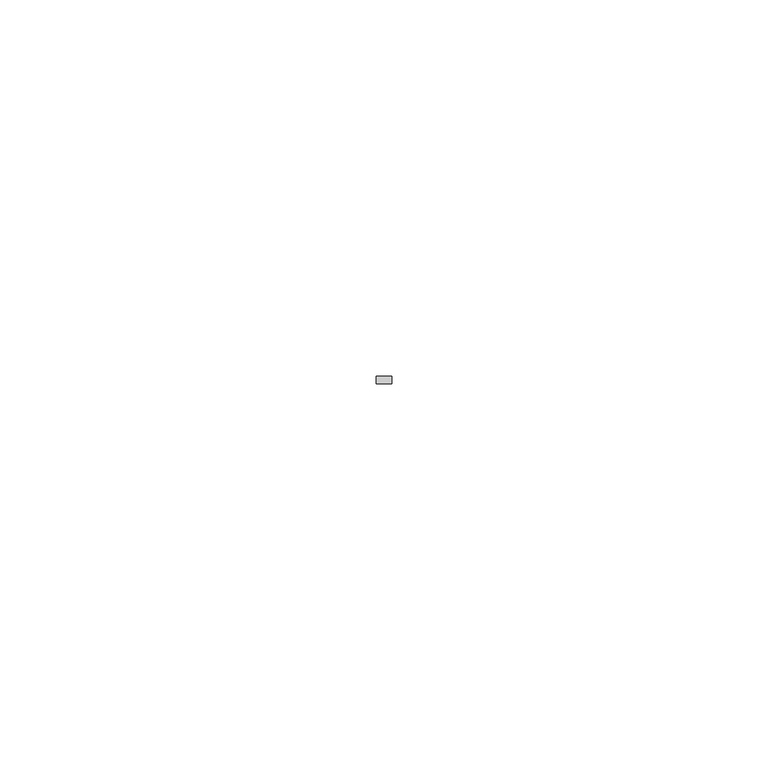
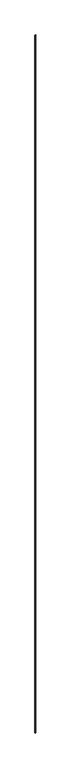
"""IFC4 building model written with IfcOpenShell, lengths in millimetres: member geometry."""

from ifc_helpers import new_model, si_unit, frame, origin, place, context, project, spatial, polyline, outline, extrude, source, transform, mapped, element, save


def member_4752c77e(model_context):
    return source(origin(), model_context, "Body", "SweptSolid", [
        extrude(outline(polyline([(1.0, 7.0), (1.0, 6.0), (-1.0, 6.0), (-1.0, 7.0), (1.0, 7.0)])), frame((0.0, 0.0, -2458.0), z_axis=(0.0, 0.0, 1.0), x_axis=(1.0, 0.0, 0.0)), (0.0, 0.0, 1.0), 2458.0),
    ])


if __name__ == "__main__":
    model = new_model("IFC4")
    model_context = context("Model", 3, world=origin())
    ifc_project = project(units=[si_unit("LENGTHUNIT", "METRE", prefix="MILLI")], contexts=[model_context])
    site = spatial("IfcSite", under=ifc_project)
    building = spatial("IfcBuilding", under=site)
    placement = place(None, origin())
    member_shape = member_4752c77e(model_context)
    element("IfcMember", 1, at=placement, inside=building, context=model_context, shape_type="MappedRepresentation", body=[
        mapped(member_shape, transform((0.0, 0.0, 0.0), x_axis=(1.0, 0.0, 0.0), y_axis=(0.0, 1.0, 0.0), z_axis=(0.0, 0.0, 1.0))),
    ])
    save(model, "model.ifc")
